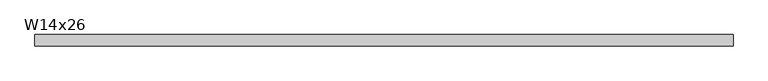
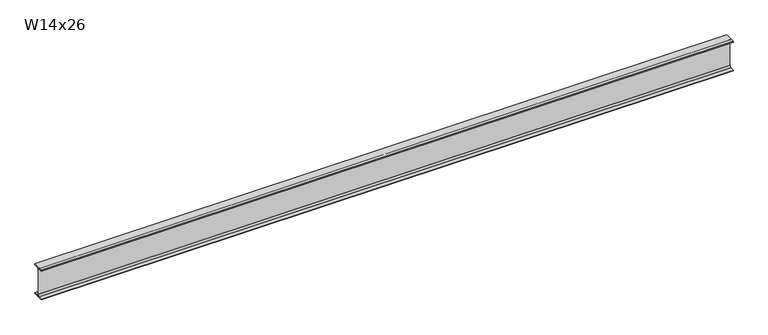
"""IFC4 building model written with IfcOpenShell, lengths in millimetres: beam geometry, W14x26."""

from ifc_helpers import new_model, si_unit, point, frame, frame_2d, origin, place, context, project, spatial, polyline, circle_curve, trimmed, segment, composite_curve, outline, extrude, source, transform, mapped, element, save


def w14x26_5e3fd2af(model_context):
    return source(origin(), model_context, "Body", "SweptSolid", [
        extrude(outline(composite_curve([segment(polyline([(63.881, -165.862), (63.881, -176.53), (-63.881, -176.53), (-63.881, -165.862), (-21.1455, -165.862)]), True, "CONTINUOUS"), segment(trimmed(circle_curve(frame_2d((-21.1455, -147.955)), 17.907), [point((-21.1455, -165.862))], [point((-3.2385, -147.955))], True, "CARTESIAN"), True, "CONTINUOUS"), segment(polyline([(-3.2385, -147.955), (-3.2385, 147.955)]), True, "CONTINUOUS"), segment(trimmed(circle_curve(frame_2d((-21.1455, 147.955)), 17.907), [point((-3.2385, 147.955))], [point((-21.1455, 165.862))], True, "CARTESIAN"), True, "CONTINUOUS"), segment(polyline([(-21.1455, 165.862), (-63.881, 165.862), (-63.881, 176.53), (63.881, 176.53), (63.881, 165.862), (21.1455, 165.862)]), True, "CONTINUOUS"), segment(trimmed(circle_curve(frame_2d((21.1455, 147.955)), 17.907), [point((21.1455, 165.862))], [point((3.2385, 147.955))], True, "CARTESIAN"), True, "CONTINUOUS"), segment(polyline([(3.2385, 147.955), (3.2385, -147.955)]), True, "CONTINUOUS"), segment(trimmed(circle_curve(frame_2d((21.1455, -147.955)), 17.907), [point((3.2385, -147.955))], [point((21.1455, -165.862))], True, "CARTESIAN"), True, "CONTINUOUS"), segment(polyline([(21.1455, -165.862), (63.881, -165.862)]), True, "CONTINUOUS")], self_intersect=False)), frame((-3860.292, 0.0, 0.0), z_axis=(1.0, 0.0, 0.0), x_axis=(0.0, 1.0, 0.0)), (0.0, 0.0, 1.0), 7822.692),
    ])


if __name__ == "__main__":
    model = new_model("IFC4")
    model_context = context("Model", 3, world=origin())
    ifc_project = project(units=[si_unit("LENGTHUNIT", "METRE", prefix="MILLI")], contexts=[model_context])
    site = spatial("IfcSite", under=ifc_project)
    building = spatial("IfcBuilding", under=site)
    placement = place(None, origin())
    w14x26_shape = w14x26_5e3fd2af(model_context)
    element("IfcBeam", 1, ObjectType="W14x26", at=placement, inside=building, context=model_context, shape_type="MappedRepresentation", body=[
        mapped(w14x26_shape, transform((0.0, 0.0, 0.0), x_axis=(1.0, 0.0, 0.0), y_axis=(0.0, 1.0, 0.0), z_axis=(0.0, 0.0, 1.0))),
    ])
    save(model, "model.ifc")
